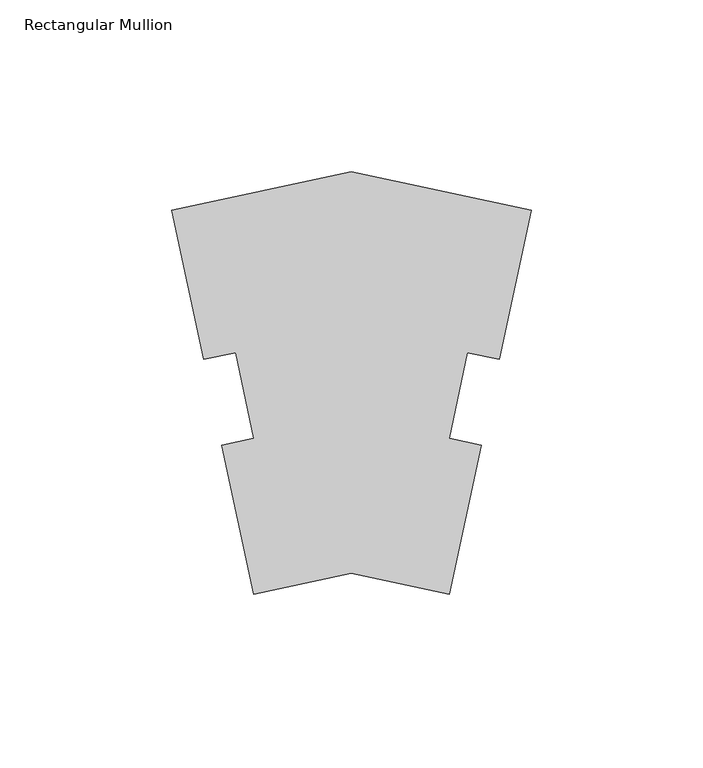
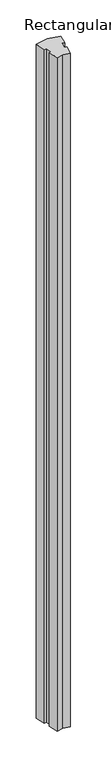
"""IFC4 building model written with IfcOpenShell, lengths in millimetres: member geometry, Rectangular Mullion."""

from ifc_helpers import new_model, si_unit, frame, origin, place, context, project, spatial, polyline, outline, extrude, source, transform, mapped, element, save


def rectangular_mullion_ec4cb735(model_context):
    return source(origin(), model_context, "Body", "SweptSolid", [
        extrude(outline(polyline([(-52.261713, -52.3626281), (-80.7560206, -58.4192801), (-89.9884415, -14.9841546), (-80.6715856, -13.0037957), (-85.9707761, 11.9269353), (-95.287632, 9.9465764), (-104.5203269, 53.3829906), (-52.261713, 64.4909019), (0.0, 53.3823319), (-9.2325579, 9.946562), (-18.5494138, 11.9269209), (-23.8486043, -13.0038101), (-14.5317484, -14.984169), (-23.7643063, -58.4199389), (-52.261713, -52.3626281)])), frame((0.0, 0.0, -3048.0), z_axis=(0.0, 0.0, 1.0), x_axis=(1.0, 0.0, 0.0)), (0.0, 0.0, 1.0), 3048.0),
    ])


if __name__ == "__main__":
    model = new_model("IFC4")
    model_context = context("Model", 3, world=origin())
    ifc_project = project(units=[si_unit("LENGTHUNIT", "METRE", prefix="MILLI")], contexts=[model_context])
    site = spatial("IfcSite", under=ifc_project)
    building = spatial("IfcBuilding", under=site)
    placement = place(None, origin())
    rectangular_mullion_shape = rectangular_mullion_ec4cb735(model_context)
    element("IfcMember", 1, ObjectType="Rectangular Mullion", at=placement, inside=building, context=model_context, shape_type="MappedRepresentation", body=[
        mapped(rectangular_mullion_shape, transform((0.0, 0.0, 0.0), x_axis=(1.0, 0.0, 0.0), y_axis=(0.0, 1.0, 0.0), z_axis=(0.0, 0.0, 1.0))),
    ])
    save(model, "model.ifc")
